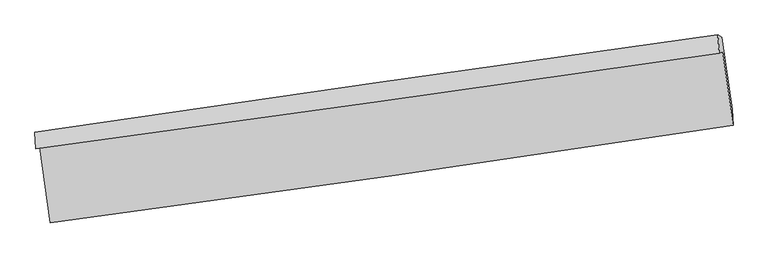
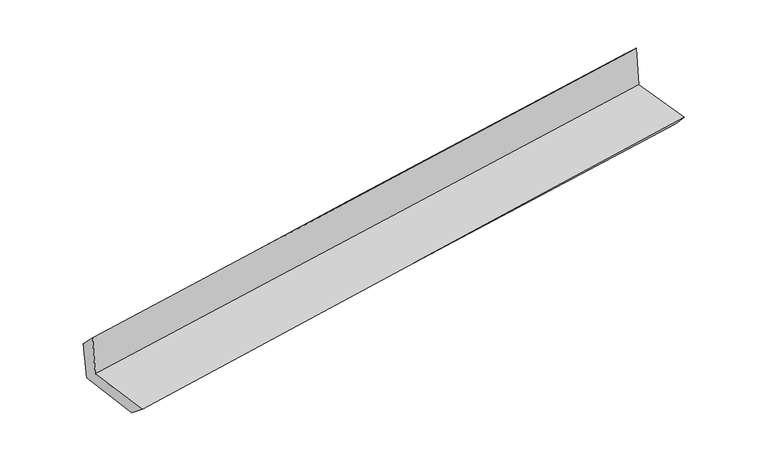
"""IFC4 building model written with IfcOpenShell, lengths in millimetres: proxy geometry."""

from ifc_helpers import new_model, si_unit, frame, origin, place, context, project, spatial, source, transform, mapped, element, save
from ifc_brep_helpers import plane_surface, spline_curve, spline_surface, advanced_brep


def generic_models_39f2e4bb(model_context):
    return source(origin(), model_context, "Body", "AdvancedBrep", [
        advanced_brep(
        [(-3000.9640283, -1919.2765183, 1651.8270728), (-2907.9424305, -2575.4814866, 1639.2864786), (3045.4816274, -1727.3576269, 2148.074192), (2956.1737948, -1085.3624742, 2140.2534079), (-3033.3774976, -1931.5838188, 2055.3932033), (2923.3623069, -1097.8209013, 2548.7750965), (-3041.2238696, -1784.4272447, 1904.3589503), (2913.416965, -937.9537785, 2401.4966583), (-3009.6011992, -1787.5670431, 1535.7320768), (2947.8687782, -956.1348975, 2024.3435339), (-2919.5750603, -2413.2114752, 1507.9735704), (3038.5855206, -1586.7257221, 1996.6155925)],
        [
            (0, 1),
            (1, 2, spline_curve(3, [(-2907.9424305, -2575.4814866, 1639.2864786), (-1914.997708466, -2444.981281388, 1733.742320624), (-922.408282164, -2309.054437077, 1823.36909622), (1062.066408423, -2026.346554069, 1992.965063319), (2053.951668073, -1879.565445323, 2072.934192215), (3045.4816274, -1727.3576269, 2148.074192)], [4, 2, 4], [0.0, 9.900026193798668, 19.800116545567075])),
            (2, 3),
            (3, 0, spline_curve(3, [(2956.1737948, -1085.3624742, 2140.2534079), (1963.657150228, -1228.396281498, 2061.579203571), (970.969066591, -1369.406241163, 1981.539770288), (-1014.743543122, -1647.377562731, 1818.730974258), (-2007.768067361, -1784.338951398, 1735.961628986), (-3000.9640283, -1919.2765183, 1651.8270728)], [4, 2, 4], [0.0, 9.900090351768407, 19.800116545567075])),
            (4, 0),
            (3, 5),
            (5, 4, spline_curve(3, [(2923.3623069, -1097.8209013, 2548.7750965), (1930.77792819, -1240.880427171, 2470.944220629), (938.089146099, -1381.89065169, 2390.913484246), (-1047.490789859, -1659.811597768, 2226.452824853), (-2040.381943026, -1796.722345631, 2142.022929929), (-3033.3774976, -1931.5838188, 2055.3932033)], [4, 2, 4], [0.0, 9.900031691873693, 19.799999226157794])),
            (6, 4),
            (5, 7),
            (7, 6, spline_curve(3, [(2913.416965, -937.9537785, 2401.4966583), (1920.099684363, -1074.100781707, 2320.87801282), (927.219368154, -1212.713975594, 2239.140410034), (-1057.660904582, -1494.871829735, 2073.427825921), (-2049.660866227, -1638.416458071, 1989.45285958), (-3041.2238696, -1784.4272447, 1904.3589503)], [4, 2, 4], [0.0, 9.899996745777043, 19.799929334190967])),
            (8, 6),
            (7, 9),
            (9, 8, spline_curve(3, [(2947.8687782, -956.1348975, 2024.3435339), (1954.718292577, -1094.627996254, 1945.639829342), (961.685610097, -1233.160782217, 1865.57021922), (-1024.137714069, -1510.304831558, 1702.699715927), (-2016.928357481, -1648.916093687, 1619.898840341), (-3009.6011992, -1787.5670431, 1535.7320768)], [4, 2, 4], [0.0, 9.900003628788058, 19.79994310016839])),
            (10, 8),
            (9, 11),
            (11, 10, spline_curve(3, [(3038.5855206, -1586.7257221, 1996.6155925), (2045.082373305, -1722.743469481, 1917.98004322), (1051.815809797, -1859.626381783, 1837.941963593), (-934.237714423, -2135.121644335, 1675.061271187), (-1927.024677669, -2273.733982792, 1592.218676868), (-2919.5750603, -2413.2114752, 1507.9735704)], [4, 2, 4], [0.0, 9.900013139872105, 19.799962122274845])),
            (1, 10),
            (11, 2),
        ],
        [
            spline_surface(3, 3, [[(-3000.9640283, -1919.2765183, 1651.8270728), (-2007.768067494, -1784.338951488, 1735.961629011), (-1014.743543233, -1647.377562847, 1818.730974238), (970.969066703, -1369.406241047, 1981.539770308), (1963.657150115, -1228.396281651, 2061.57920343), (2956.1737948, -1085.3624742, 2140.2534079)], [(-2969.956829028, -2138.011507715, 1647.646874761), (-1976.844614432, -2004.55306142, 1735.221859619), (-983.96512289, -1867.936520893, 1820.277014919), (1001.334847258, -1588.386345401, 1985.348201315), (1993.755322806, -1445.452669497, 2065.364199725), (2985.943072325, -1299.360858435, 2142.860335942)], [(-2938.949629772, -2356.746497185, 1643.466676639), (-1945.921161387, -2224.767171406, 1734.482090145), (-953.1867025, -2088.495478966, 1821.823055565), (1031.70062786, -1807.366449782, 1989.156632287), (2023.853495523, -1662.509057338, 2069.149195993), (3015.712349875, -1513.359242665, 2145.467263958)], [(-2907.9424305, -2575.4814866, 1639.2864786), (-1914.997708326, -2444.981281337, 1733.742320753), (-922.408282156, -2309.054437011, 1823.369096246), (1062.066408415, -2026.346554136, 1992.965063293), (2053.951668213, -1879.565445184, 2072.934192287), (3045.4816274, -1727.3576269, 2148.074192)]], [4, 4], [4, 2, 4], [0.0, 2.1840740904969653], [0.0, 9.900026193798668, 19.800116545567075]),
            spline_surface(3, 3, [[(-3033.3774976, -1931.5838188, 2055.3932033), (-2040.381942927, -1796.722345617, 2142.022929865), (-1047.490789979, -1659.811597712, 2226.452824757), (938.089146218, -1381.890651746, 2390.913484342), (1930.777928083, -1240.880427205, 2470.944220504), (2923.3623069, -1097.8209013, 2548.7750965)], [(-3022.573007843, -1927.481385294, 1920.8711598), (-2029.510651125, -1792.594547569, 2006.669162913), (-1036.575041046, -1655.666919419, 2090.545541233), (949.04911973, -1377.729181508, 2254.455579646), (1941.737668754, -1236.719045377, 2334.489214814), (2934.299469527, -1093.66809229, 2412.601200302)], [(-3011.768518057, -1923.378951806, 1786.3491163), (-2018.639359295, -1788.466749537, 1871.315395962), (-1025.659292165, -1651.52224114, 1954.638257762), (960.009093191, -1373.567711285, 2117.997675004), (1952.697409444, -1232.55766348, 2198.03420912), (2945.236632173, -1089.51528321, 2276.427304098)], [(-3000.9640283, -1919.2765183, 1651.8270728), (-2007.768067494, -1784.338951488, 1735.961629011), (-1014.743543233, -1647.377562847, 1818.730974238), (970.969066703, -1369.406241047, 1981.539770308), (1963.657150115, -1228.396281651, 2061.57920343), (2956.1737948, -1085.3624742, 2140.2534079)]], [4, 4], [4, 2, 4], [0.0, 1.3453174235635095], [0.0, 9.899967534284102, 19.799999226157794]),
            spline_surface(3, 3, [[(-3041.2238696, -1784.4272447, 1904.3589503), (-2049.66086634, -1638.416457977, 1989.452859625), (-1057.660904494, -1494.871829667, 2073.427826075), (927.219368067, -1212.713975662, 2239.14040988), (1920.099684372, -1074.100781853, 2320.878012825), (2913.416965, -937.9537785, 2401.4966583)], [(-3038.608412254, -1833.479436094, 1954.703701267), (-2046.567891856, -1691.185087218, 2040.309549672), (-1054.270866327, -1549.851752357, 2124.436158982), (930.842627446, -1269.106201031, 2289.731434714), (1923.659098941, -1129.693996945, 2370.900082057), (2916.732078966, -991.242819407, 2450.589471038)], [(-3035.992954946, -1882.531627406, 2005.048452333), (-2043.474917411, -1743.953716377, 2091.166239817), (-1050.880828146, -1604.831675022, 2175.44449185), (934.465886839, -1325.498426377, 2340.322459509), (1927.218513513, -1185.287212114, 2420.922151273), (2920.047192934, -1044.531860393, 2499.682283762)], [(-3033.3774976, -1931.5838188, 2055.3932033), (-2040.381942927, -1796.722345617, 2142.022929865), (-1047.490789979, -1659.811597712, 2226.452824757), (938.089146218, -1381.890651746, 2390.913484342), (1930.777928083, -1240.880427205, 2470.944220504), (2923.3623069, -1097.8209013, 2548.7750965)]], [4, 4], [4, 2, 4], [0.0, 0.7426925076985567], [0.0, 9.899932588413924, 19.799929334190967]),
            spline_surface(3, 3, [[(-3009.6011992, -1787.5670431, 1535.7320768), (-2016.928357438, -1648.916093825, 1619.898840226), (-1024.137714132, -1510.304831417, 1702.69971588), (961.68561016, -1233.160782358, 1865.570219266), (1954.718292616, -1094.627996254, 1945.639829347), (2947.8687782, -956.1348975, 2024.3435339)], [(-3020.142089344, -1786.520443623, 1658.607701314), (-2027.83919375, -1645.416215199, 1743.083513373), (-1035.312110916, -1505.160497491, 1826.275752611), (950.196862799, -1226.345180117, 1990.093616137), (1943.17875653, -1087.78559148, 2070.71922384), (2936.384840462, -950.074524526, 2150.061242033)], [(-3030.682979456, -1785.473844177, 1781.483325786), (-2038.750030029, -1641.916336603, 1866.268186478), (-1046.48650771, -1500.016163593, 1949.851789344), (938.708115428, -1219.529577903, 2114.61701301), (1931.639220458, -1080.943186627, 2195.798618333), (2924.900902738, -944.014151474, 2275.778950167)], [(-3041.2238696, -1784.4272447, 1904.3589503), (-2049.66086634, -1638.416457977, 1989.452859625), (-1057.660904494, -1494.871829667, 2073.427826075), (927.219368067, -1212.713975662, 2239.14040988), (1920.099684372, -1074.100781853, 2320.878012825), (2913.416965, -937.9537785, 2401.4966583)]], [4, 4], [4, 2, 4], [0.0, 1.2274572177347807], [0.0, 9.899939471380334, 19.79994310016839]),
            spline_surface(3, 3, [[(-2919.5750603, -2413.2114752, 1507.9735704), (-1927.024677706, -2273.733982775, 1592.218676898), (-934.237714268, -2135.121644183, 1675.061271286), (1051.815809642, -1859.626381934, 1837.941963493), (2045.082373152, -1722.743469497, 1917.980043148), (3038.5855206, -1586.7257221, 1996.6155925)], [(-2949.583773272, -2204.663331156, 1517.226405856), (-1956.992570955, -2065.461353114, 1601.445397997), (-964.204380895, -1926.849373259, 1684.274086141), (1021.772409808, -1650.804515407, 1847.151382074), (2014.961012977, -1513.371645065, 1927.199971858), (3008.34660647, -1376.528780548, 2005.85823961)], [(-2979.592486228, -1996.115187144, 1526.479241344), (-1986.960464189, -1857.188723486, 1610.672119128), (-994.171047504, -1718.577102341, 1693.486901026), (991.729009994, -1441.982648886, 1856.360800686), (1984.839652791, -1303.999820687, 1936.419900637), (2978.10769233, -1166.331839052, 2015.10088679)], [(-3009.6011992, -1787.5670431, 1535.7320768), (-2016.928357438, -1648.916093825, 1619.898840226), (-1024.137714132, -1510.304831417, 1702.69971588), (961.68561016, -1233.160782358, 1865.570219266), (1954.718292616, -1094.627996254, 1945.639829347), (2947.8687782, -956.1348975, 2024.3435339)]], [4, 4], [4, 2, 4], [0.0, 2.075745803143199], [0.0, 9.89994898240274, 19.799962122274845]),
            spline_surface(3, 3, [[(-2907.9424305, -2575.4814866, 1639.2864786), (-1914.997708326, -2444.981281337, 1733.742320753), (-922.408282156, -2309.054437011, 1823.369096246), (1062.066408415, -2026.346554136, 1992.965063293), (2053.951668213, -1879.565445184, 2072.934192287), (3045.4816274, -1727.3576269, 2148.074192)], [(-2911.819973759, -2521.391482818, 1595.515509202), (-1919.006698112, -2387.898848501, 1686.567772804), (-926.351426187, -2251.076839419, 1773.933154597), (1058.649542163, -1970.773163419, 1941.290696698), (2050.995236543, -1827.291453282, 2021.282809249), (3043.18292515, -1680.480325293, 2097.587992174)], [(-2915.697517041, -2467.301478982, 1551.744539798), (-1923.01568792, -2330.816415611, 1639.393224848), (-930.294570237, -2193.099241775, 1724.497212935), (1055.232675893, -1915.199772651, 1889.616330089), (2048.038804822, -1775.0174614, 1969.631426187), (3040.88422285, -1633.603023707, 2047.101792326)], [(-2919.5750603, -2413.2114752, 1507.9735704), (-1927.024677706, -2273.733982775, 1592.218676898), (-934.237714268, -2135.121644183, 1675.061271286), (1051.815809642, -1859.626381934, 1837.941963493), (2045.082373152, -1722.743469497, 1917.980043148), (3038.5855206, -1586.7257221, 1996.6155925)]], [4, 4], [4, 2, 4], [0.0, 0.7491200261367423], [0.0, 9.899979434397808, 19.800023026462327]),
            plane_surface(frame((2970.8148322, -1231.8925668, 2209.9264135), z_axis=(0.9868658601023671, 0.13829969343898763, 0.08348035073654904), x_axis=(-0.09086363185160719, 0.047951104518929824, 0.9947082446537528))),
            plane_surface(frame((-2985.4473476, -2068.5912645, 1715.761892), z_axis=(-0.9868658601023115, -0.1382996934391097, -0.08348035073700603), x_axis=(-0.1403286138081166, 0.9899242297450727, 0.018918232219664852))),
        ],
        [
            (0, [[1, 2, 3, 4]]),
            (1, [[5, -4, 6, 7]]),
            (2, [[8, -7, 9, 10]]),
            (3, [[11, -10, 12, 13]]),
            (4, [[14, -13, 15, 16]]),
            (5, [[17, -16, 18, -2]]),
            (6, [[-12, -9, -6, -3, -18, -15]]),
            (7, [[-1, -5, -8, -11, -14, -17]]),
        ],
    ),
    ])


if __name__ == "__main__":
    model = new_model("IFC4")
    model_context = context("Model", 3, world=origin())
    ifc_project = project(units=[si_unit("LENGTHUNIT", "METRE", prefix="MILLI")], contexts=[model_context])
    site = spatial("IfcSite", under=ifc_project)
    building = spatial("IfcBuilding", under=site)
    placement = place(None, origin())
    generic_models_shape = generic_models_39f2e4bb(model_context)
    element("IfcBuildingElementProxy", 1, Name="Generic Models", at=placement, inside=building, context=model_context, shape_type="MappedRepresentation", body=[
        mapped(generic_models_shape, transform((0.0, 0.0, 0.0), x_axis=(1.0, 0.0, 0.0), y_axis=(0.0, 1.0, 0.0), z_axis=(0.0, 0.0, 1.0))),
    ])
    save(model, "model.ifc")
